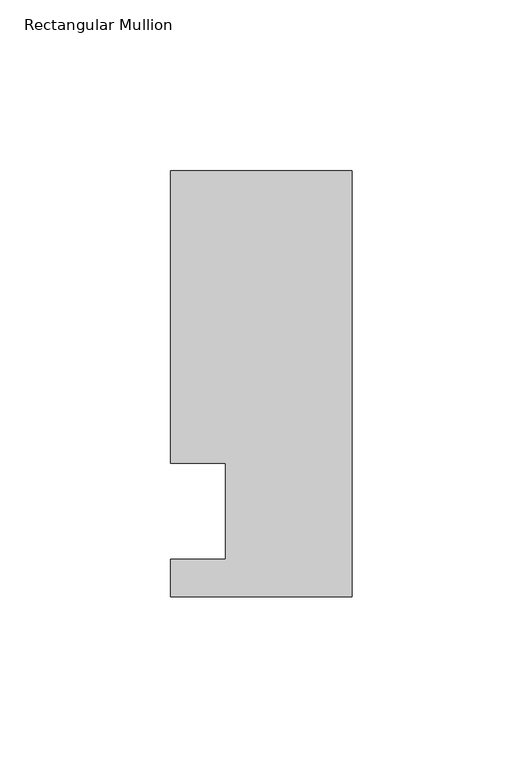
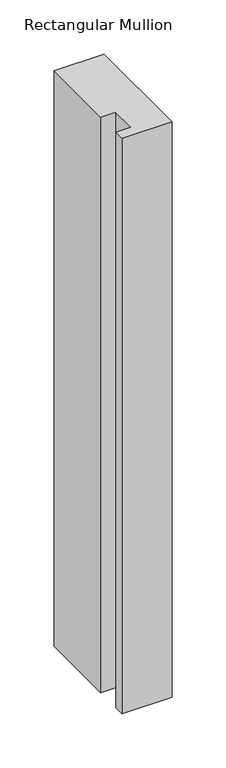
"""IFC4 building model written with IfcOpenShell, lengths in millimetres: member geometry, Rectangular Mullion."""

from ifc_helpers import new_model, si_unit, frame, origin, place, context, project, spatial, polyline, outline, extrude, source, transform, mapped, element, save


def rectangular_mullion_d081e36a(model_context):
    return source(origin(), model_context, "Body", "SweptSolid", [
        extrude(outline(polyline([(-37.0, -13.9999453), (-37.0, 14.0000547), (-53.0, 14.0000547), (-53.0, 99.5000547), (0.0, 99.5000547), (0.0, -24.9999453), (-53.0, -24.9999453), (-53.0, -13.9999453), (-37.0, -13.9999453)])), frame((0.0, 0.0, -645.5615776), z_axis=(0.0, 0.0, 1.0), x_axis=(1.0, 0.0, 0.0)), (0.0, 0.0, 1.0), 645.5615776),
    ])


if __name__ == "__main__":
    model = new_model("IFC4")
    model_context = context("Model", 3, world=origin())
    ifc_project = project(units=[si_unit("LENGTHUNIT", "METRE", prefix="MILLI")], contexts=[model_context])
    site = spatial("IfcSite", under=ifc_project)
    building = spatial("IfcBuilding", under=site)
    placement = place(None, origin())
    rectangular_mullion_shape = rectangular_mullion_d081e36a(model_context)
    element("IfcMember", 1, ObjectType="Rectangular Mullion", at=placement, inside=building, context=model_context, shape_type="MappedRepresentation", body=[
        mapped(rectangular_mullion_shape, transform((0.0, 0.0, 0.0), x_axis=(1.0, 0.0, 0.0), y_axis=(0.0, 1.0, 0.0), z_axis=(0.0, 0.0, 1.0))),
    ])
    save(model, "model.ifc")
